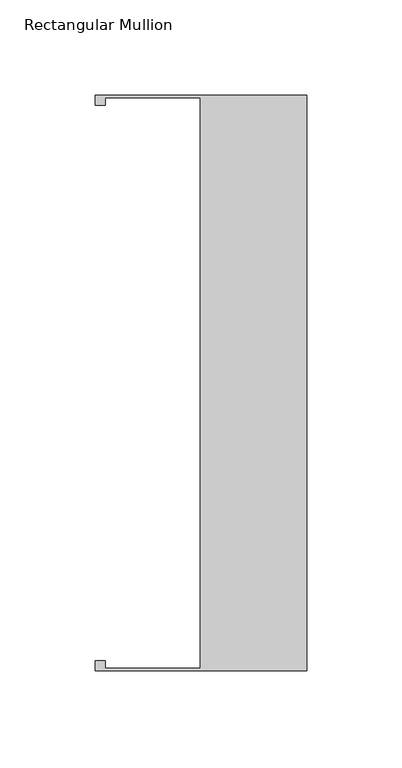
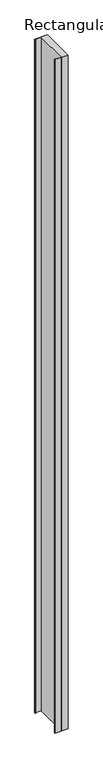
"""IFC4 building model written with IfcOpenShell, lengths in millimetres: member geometry, Rectangular Mullion."""

from ifc_helpers import new_model, si_unit, frame, origin, place, context, project, spatial, polyline, outline, extrude, source, transform, mapped, element, save


def rectangular_mullion_8f1be4cc(model_context):
    return source(origin(), model_context, "Body", "SweptSolid", [
        extrude(outline(polyline([(0.0, -150.8125), (-110.744, -150.8125), (-110.744, -145.7400109), (-105.664, -145.7400109), (-105.664, -149.5425), (-55.739, -149.5425), (-55.739, 149.5421534), (-105.664, 149.5421534), (-105.664, 145.7401534), (-110.744, 145.7401534), (-110.744, 150.8125), (0.0, 150.8125), (0.0, -150.8125)])), frame((0.0, 0.0, -6096.0), z_axis=(0.0, 0.0, 1.0), x_axis=(1.0, 0.0, 0.0)), (0.0, 0.0, 1.0), 6096.0),
    ])


if __name__ == "__main__":
    model = new_model("IFC4")
    model_context = context("Model", 3, world=origin())
    ifc_project = project(units=[si_unit("LENGTHUNIT", "METRE", prefix="MILLI")], contexts=[model_context])
    site = spatial("IfcSite", under=ifc_project)
    building = spatial("IfcBuilding", under=site)
    placement = place(None, origin())
    rectangular_mullion_shape = rectangular_mullion_8f1be4cc(model_context)
    element("IfcMember", 1, ObjectType="Rectangular Mullion", at=placement, inside=building, context=model_context, shape_type="MappedRepresentation", body=[
        mapped(rectangular_mullion_shape, transform((0.0, 0.0, 0.0), x_axis=(1.0, 0.0, 0.0), y_axis=(0.0, 1.0, 0.0), z_axis=(0.0, 0.0, 1.0))),
    ])
    save(model, "model.ifc")
